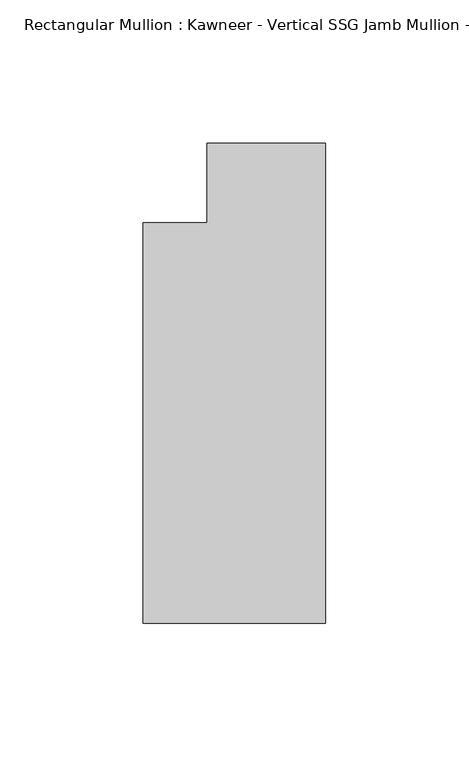
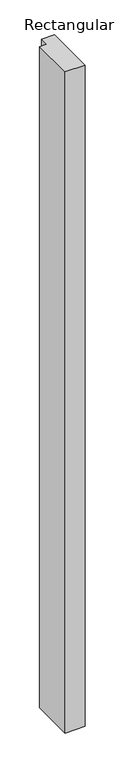
"""IFC4 building model written with IfcOpenShell, lengths in millimetres: member geometry."""

from ifc_helpers import new_model, si_unit, frame, origin, place, context, project, spatial, polyline, outline, extrude, source, transform, mapped, element, save


def member_16a40749(model_context):
    return source(origin(), model_context, "Body", "SweptSolid", [
        extrude(outline(polyline([(0.0, -152.399995), (-63.5, -152.399995), (-63.5, -12.7), (-41.2751132, -12.7), (-41.2751132, 14.8599091), (0.0, 14.8599091), (0.0, -152.399995)])), frame((0.0, 0.0, -2212.5077323), z_axis=(0.0, 0.0, 1.0), x_axis=(1.0, 0.0, 0.0)), (0.0, 0.0, 1.0), 2212.5077323),
    ])


if __name__ == "__main__":
    model = new_model("IFC4")
    model_context = context("Model", 3, world=origin())
    ifc_project = project(units=[si_unit("LENGTHUNIT", "METRE", prefix="MILLI")], contexts=[model_context])
    site = spatial("IfcSite", under=ifc_project)
    building = spatial("IfcBuilding", under=site)
    placement = place(None, origin())
    member_shape = member_16a40749(model_context)
    element("IfcMember", 1, ObjectType="Rectangular Mullion : Kawneer - Vertical SSG Jamb Mullion - 7 1/2\" - Left", at=placement, inside=building, context=model_context, shape_type="MappedRepresentation", body=[
        mapped(member_shape, transform((0.0, 0.0, 0.0), x_axis=(1.0, 0.0, 0.0), y_axis=(0.0, 1.0, 0.0), z_axis=(0.0, 0.0, 1.0))),
    ])
    save(model, "model.ifc")
